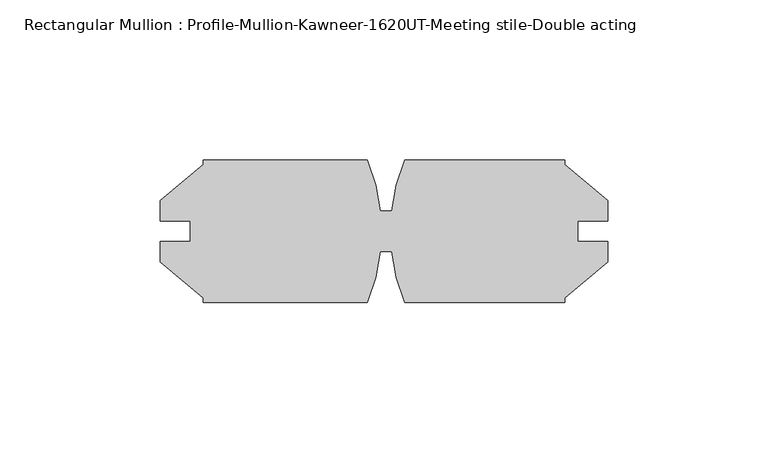
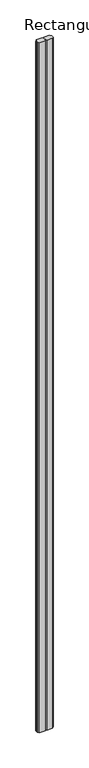
"""IFC4 building model written with IfcOpenShell, lengths in millimetres: member geometry, Rectangular Mullion : Profile-Mullion-Kawneer-1620UT-Meeting stile-Double acting."""

from ifc_helpers import new_model, si_unit, point, frame, frame_2d, origin, place, context, project, spatial, polyline, circle_curve, trimmed, segment, composite_curve, outline, extrude, source, transform, mapped, element, save


def rectangular_mullion_profile_mullion_kawneer_1620ut_meeting_ed89bd2e(model_context):
    return source(origin(), model_context, "Body", "SweptSolid", [
        extrude(outline(composite_curve([segment(polyline([(54.8777377, -47.625), (54.8777377, -49.0217067), (68.3397377, -60.317666), (68.3397377, -66.6879445), (58.9163377, -66.6879445), (58.9163377, -73.0120555), (68.3397377, -73.0120555), (68.3397377, -79.382334), (54.8777377, -90.6782933), (54.8777377, -92.075), (4.9266615, -92.075)]), True, "CONTINUOUS"), segment(trimmed(circle_curve(frame_2d((59.2833677, -69.85)), 58.7248), [point((4.9266615, -92.075))], [point((0.9028946, -76.2))], False, "CARTESIAN"), True, "CONTINUOUS"), segment(polyline([(0.9028946, -76.2), (-2.6163574, -76.2)]), True, "CONTINUOUS"), segment(trimmed(circle_curve(frame_2d((-61.0096054, -69.85)), 58.7375), [point((-2.6163574, -76.2))], [point((-6.6391788, -92.075))], False, "CARTESIAN"), True, "CONTINUOUS"), segment(polyline([(-6.6391788, -92.075), (-57.8346054, -92.075), (-57.8346054, -90.6782933), (-71.2966054, -79.382334), (-71.2966054, -73.0120621), (-61.8732054, -73.0120621), (-61.8732054, -66.6879379), (-71.2966054, -66.6879379), (-71.2966054, -60.317666), (-57.8346054, -49.0217067), (-57.8346054, -47.625), (-6.6391788, -47.625)]), True, "CONTINUOUS"), segment(trimmed(circle_curve(frame_2d((-61.0096054, -69.85)), 58.7375), [point((-6.6391788, -47.625))], [point((-2.6163574, -63.5))], False, "CARTESIAN"), True, "CONTINUOUS"), segment(polyline([(-2.6163574, -63.5), (0.9028946, -63.5)]), True, "CONTINUOUS"), segment(trimmed(circle_curve(frame_2d((59.2833677, -69.85)), 58.7248), [point((0.9028946, -63.5))], [point((4.9266615, -47.625))], False, "CARTESIAN"), True, "CONTINUOUS"), segment(polyline([(4.9266615, -47.625), (54.8777377, -47.625)]), True, "CONTINUOUS")], self_intersect=False)), frame((0.0, 0.0, -6344.4145914), z_axis=(0.0, 0.0, 1.0), x_axis=(1.0, 0.0, 0.0)), (0.0, 0.0, 1.0), 6344.4145914),
    ])


if __name__ == "__main__":
    model = new_model("IFC4")
    model_context = context("Model", 3, world=origin())
    ifc_project = project(units=[si_unit("LENGTHUNIT", "METRE", prefix="MILLI")], contexts=[model_context])
    site = spatial("IfcSite", under=ifc_project)
    building = spatial("IfcBuilding", under=site)
    placement = place(None, origin())
    rectangular_mullion_profile_mullion_kawneer_1620ut_meeting_shape = rectangular_mullion_profile_mullion_kawneer_1620ut_meeting_ed89bd2e(model_context)
    element("IfcMember", 1, ObjectType="Rectangular Mullion : Profile-Mullion-Kawneer-1620UT-Meeting stile-Double acting", at=placement, inside=building, context=model_context, shape_type="MappedRepresentation", body=[
        mapped(rectangular_mullion_profile_mullion_kawneer_1620ut_meeting_shape, transform((0.0, 0.0, 0.0), x_axis=(1.0, 0.0, 0.0), y_axis=(0.0, 1.0, 0.0), z_axis=(0.0, 0.0, 1.0))),
    ])
    save(model, "model.ifc")
